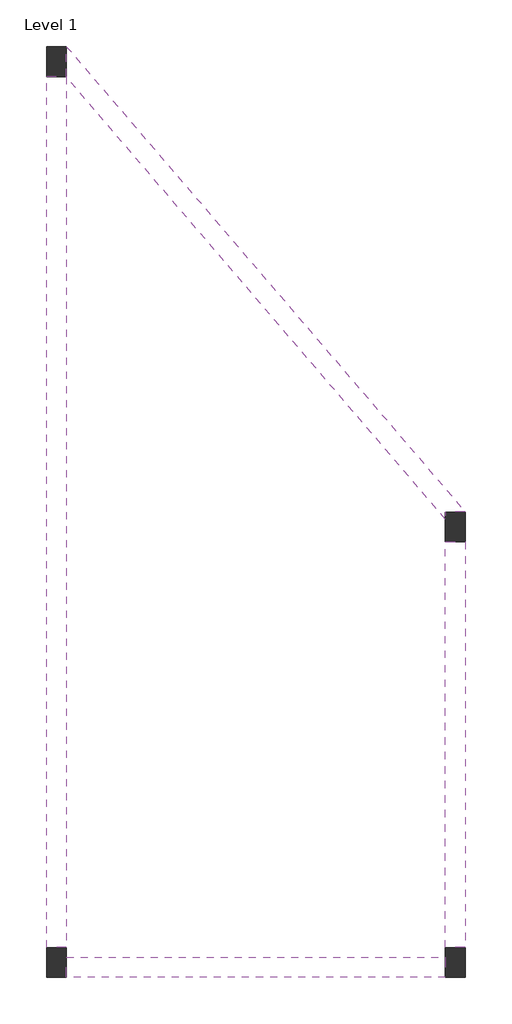
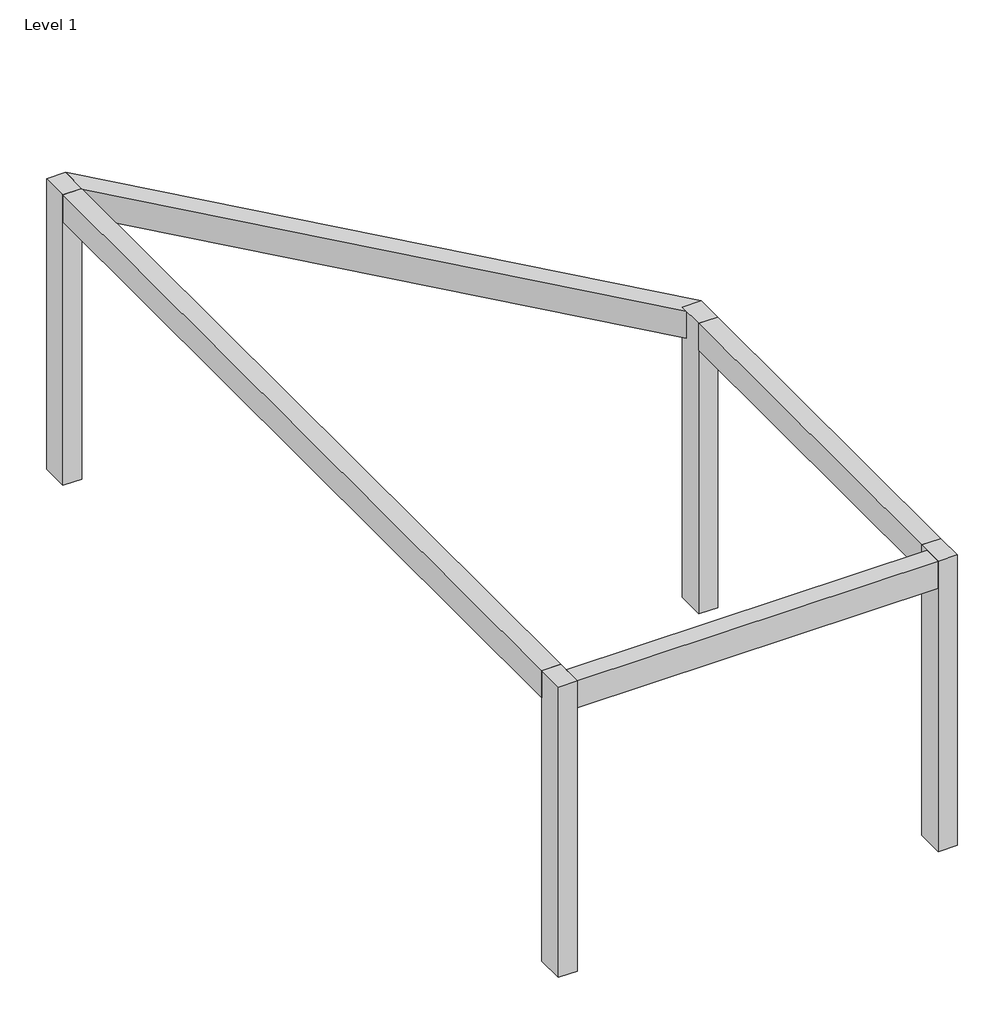
# One storey: 4 beams, 4 columns.
"""IFC4 building model written with IfcOpenShell, lengths in millimetres."""

from ifc_helpers import new_model, si_unit, frame, origin, origin_with_axes, place, context, project, spatial, polyline, outline, extrude, faceted_brep, element, save

model = new_model("IFC4")

# Units and contexts
model_context = context("Model", 3, world=origin())
ifc_project = project(units=[si_unit("LENGTHUNIT", "METRE", prefix="MILLI")], contexts=[model_context])

# Site, building, storey
site = spatial("IfcSite", under=ifc_project)
building = spatial("IfcBuilding", under=site)
storey = spatial("IfcBuildingStorey", under=building, Name="Level 1", Elevation=0.0)

# Beams
placement = place(None, origin())
element("IfcBeam", 1, ObjectType="M_Concrete-Rectangular Beam : 300 x 600mm", at=placement, inside=storey, context=model_context, shape_type="Brep", body=[
    faceted_brep([(676.1688612, 6619.659118, 4400.0), (685.5779094, 6608.6818952, 4400.0), (6385.5779094, -41.3181048, 4400.0), (6385.5779094, -41.3181048, 4850.0), (685.5779094, 6608.6818952, 4850.0), (676.1688612, 6619.659118, 4850.0), (685.5779094, 7069.659118, 4400.0), (6685.5779094, 69.659118, 4400.0), (6385.5779094, 69.659118, 4400.0), (685.5779094, 6619.659118, 4400.0), (685.5779094, 7069.659118, 4850.0), (6685.5779094, 69.659118, 4850.0), (685.5779094, 6619.659118, 4850.0), (6385.5779094, 69.659118, 4850.0)], [[[0, 1, 2, 3, 4, 5]], [[6, 7, 8, 2, 1, 0, 9]], [[7, 6, 10, 11]], [[6, 9, 12, 10]], [[9, 0, 5, 12]], [[2, 8, 13, 3]], [[8, 7, 11, 13]], [[5, 4, 3, 13, 11, 10, 12]]]),
])
element("IfcBeam", 2, ObjectType="M_Concrete-Rectangular Beam : 300 x 600mm", at=placement, inside=storey, context=model_context, shape_type="SweptSolid", body=[
    extrude(outline(polyline([(6685.5779094, -6480.340882), (6385.5779094, -6480.340882), (6385.5779094, -380.340882), (6685.5779094, -380.340882), (6685.5779094, -6480.340882)])), frame((0.0, 0.0, 4400.0), z_axis=(0.0, 0.0, 1.0), x_axis=(1.0, 0.0, 0.0)), (0.0, 0.0, 1.0), 450.0),
])
element("IfcBeam", 3, ObjectType="M_Concrete-Rectangular Beam : 300 x 600mm", at=placement, inside=storey, context=model_context, shape_type="SweptSolid", body=[
    extrude(outline(polyline([(685.5779094, -6930.340882), (685.5779094, -6630.340882), (6385.5779094, -6630.340882), (6385.5779094, -6930.340882), (685.5779094, -6930.340882)])), frame((0.0, 0.0, 4400.0), z_axis=(0.0, 0.0, 1.0), x_axis=(1.0, 0.0, 0.0)), (0.0, 0.0, 1.0), 450.0),
])
element("IfcBeam", 4, ObjectType="M_Concrete-Rectangular Beam : 300 x 600mm", at=placement, inside=storey, context=model_context, shape_type="SweptSolid", body=[
    extrude(outline(polyline([(676.1688612, 6619.659118), (685.5779094, 6608.6818952), (685.5779094, -6480.340882), (385.5779094, -6480.340882), (385.5779094, 6619.659118), (676.1688612, 6619.659118)])), frame((0.0, 0.0, 4400.0), z_axis=(0.0, 0.0, 1.0), x_axis=(1.0, 0.0, 0.0)), (0.0, 0.0, 1.0), 450.0),
])

# Columns
element("IfcColumn", 5, ObjectType="M_Concrete-Rectangular-Column : 300 x 450mm", at=placement, inside=storey, context=model_context, shape_type="SweptSolid", body=[
    extrude(outline(polyline([(685.5779094, 7069.659118), (685.5779094, 6619.659118), (385.5779094, 6619.659118), (385.5779094, 7069.659118), (685.5779094, 7069.659118)])), origin_with_axes(), (0.0, 0.0, 1.0), 4850.0),
])
element("IfcColumn", 6, ObjectType="M_Concrete-Rectangular-Column : 300 x 450mm", at=placement, inside=storey, context=model_context, shape_type="SweptSolid", body=[
    extrude(outline(polyline([(6685.5779094, 69.659118), (6685.5779094, -380.340882), (6385.5779094, -380.340882), (6385.5779094, 69.659118), (6685.5779094, 69.659118)])), origin_with_axes(), (0.0, 0.0, 1.0), 4850.0),
])
element("IfcColumn", 7, ObjectType="M_Concrete-Rectangular-Column : 300 x 450mm", at=placement, inside=storey, context=model_context, shape_type="SweptSolid", body=[
    extrude(outline(polyline([(685.5779094, -6480.340882), (685.5779094, -6930.340882), (385.5779094, -6930.340882), (385.5779094, -6480.340882), (685.5779094, -6480.340882)])), origin_with_axes(), (0.0, 0.0, 1.0), 4850.0),
])
element("IfcColumn", 8, ObjectType="M_Concrete-Rectangular-Column : 300 x 450mm", at=placement, inside=storey, context=model_context, shape_type="SweptSolid", body=[
    extrude(outline(polyline([(6685.5779094, -6480.340882), (6685.5779094, -6930.340882), (6385.5779094, -6930.340882), (6385.5779094, -6480.340882), (6685.5779094, -6480.340882)])), origin_with_axes(), (0.0, 0.0, 1.0), 4850.0),
])

save(model, "model.ifc")
